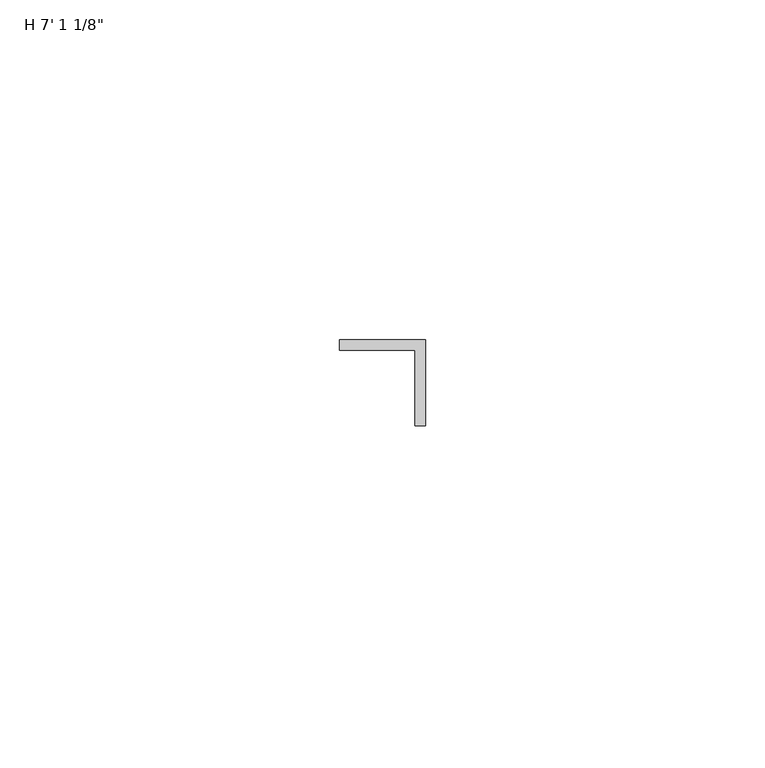
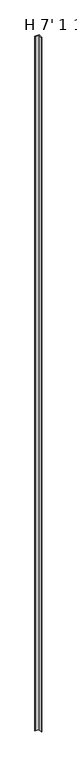
"""IFC4 building model written with IfcOpenShell, lengths in millimetres: proxy geometry."""

from ifc_helpers import new_model, si_unit, origin, origin_with_axes, place, context, project, spatial, polyline, outline, extrude, source, transform, mapped, element, save


def proxy_84171405(model_context):
    return source(origin(), model_context, "Body", "SweptSolid", [
        extrude(outline(polyline([(12.7, 12.7), (12.7, 0.0), (11.1125, 0.0), (11.1125, 11.1125), (0.0, 11.1125), (0.0, 12.7), (12.7, 12.7)])), origin_with_axes(), (0.0, 0.0, 1.0), 2162.175),
    ])


if __name__ == "__main__":
    model = new_model("IFC4")
    model_context = context("Model", 3, world=origin())
    ifc_project = project(units=[si_unit("LENGTHUNIT", "METRE", prefix="MILLI")], contexts=[model_context])
    site = spatial("IfcSite", under=ifc_project)
    building = spatial("IfcBuilding", under=site)
    placement = place(None, origin())
    proxy_shape = proxy_84171405(model_context)
    element("IfcBuildingElementProxy", 1, Name="H 7' 1 1/8\"", ObjectType="H 7' 1 1/8\"", at=placement, inside=building, context=model_context, shape_type="MappedRepresentation", body=[
        mapped(proxy_shape, transform((0.0, 0.0, 0.0), x_axis=(1.0, 0.0, 0.0), y_axis=(0.0, 1.0, 0.0), z_axis=(0.0, 0.0, 1.0))),
    ])
    save(model, "model.ifc")
